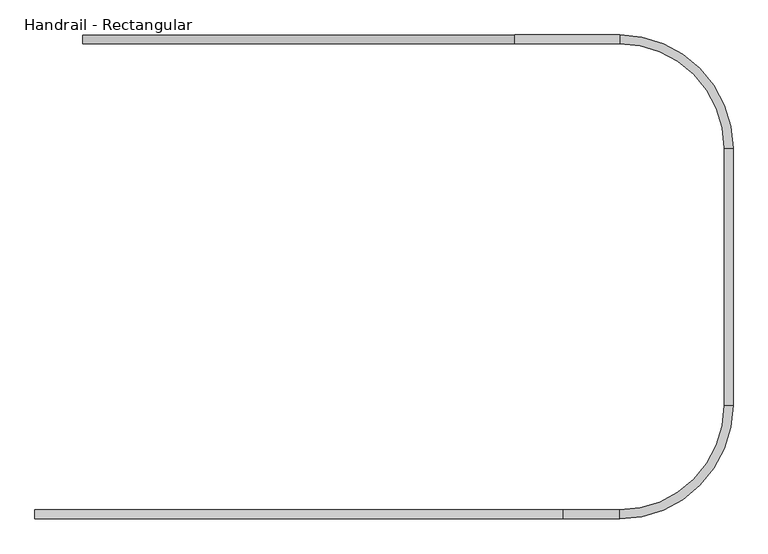
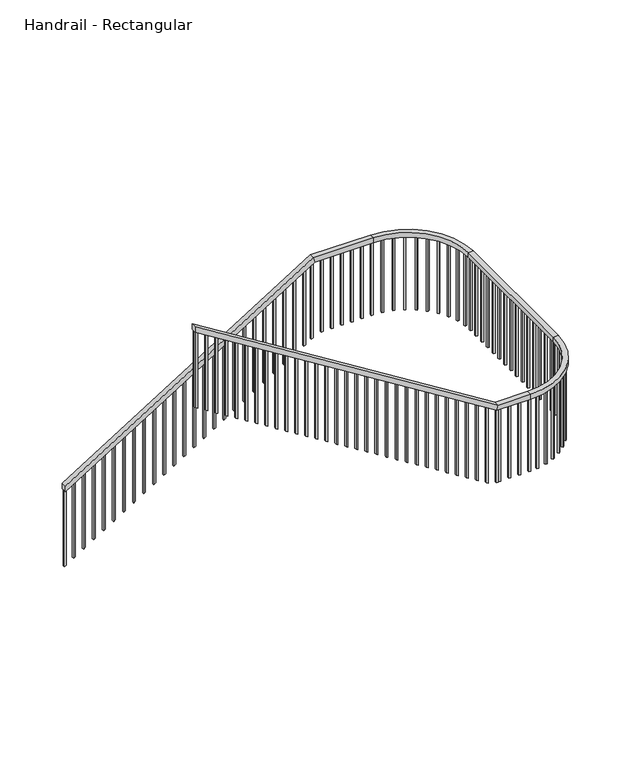
"""IFC4 building model written with IfcOpenShell, lengths in millimetres: railing geometry, Handrail - Rectangular."""

from ifc_helpers import new_model, si_unit, frame, origin, place, context, project, spatial, polyline, circle_curve, outline, extrude, source, transform, mapped, element, save
from ifc_brep_helpers import plane_surface, cylinder_surface, revolved_surface, advanced_brep


def handrail_rectangular_d1cac5ad(model_context):
    return source(origin(), model_context, "Body", "SolidModel", [
        advanced_brep(
        [(-2052.5185199, -3081.6318576, 1088.5714286), (-2052.5185199, -3081.6318576, 1028.7093152), (-2052.5185199, -3132.4318576, 1028.7093152), (-2052.5185199, -3132.4318576, 1088.5714286), (462.0814801, -3081.6318576, 2656.1142857), (476.6186202, -3081.6318576, 2605.3142857), (476.6186202, -3132.4318576, 2605.3142857), (462.0814801, -3132.4318576, 2656.1142857), (1071.6814801, -3081.6318576, 2656.1142857), (1071.6814801, -3081.6318576, 2605.3142857), (1071.6814801, -3132.4318576, 2605.3142857), (1071.6814801, -3132.4318576, 2656.1142857), (1732.0814801, -3742.0318576, 2605.3142857), (1732.0814801, -3742.0318576, 2656.1142857), (1681.2814801, -3742.0318576, 2605.3142857), (1681.2814801, -3742.0318576, 2656.1142857), (1732.0814801, -5236.974518, 2656.1142857), (1732.0814801, -5236.974518, 2605.3142857), (1681.2814801, -5236.974518, 2605.3142857), (1681.2814801, -5236.974518, 2656.1142857), (1071.6814801, -5897.374518, 2605.3142857), (1071.6814801, -5897.374518, 2656.1142857), (1071.6814801, -5846.574518, 2605.3142857), (1071.6814801, -5846.574518, 2656.1142857), (741.4814801, -5897.374518, 2656.1142857), (726.9443399, -5897.374518, 2605.3142857), (726.9443399, -5846.574518, 2605.3142857), (741.4814801, -5846.574518, 2656.1142857), (-2331.9185199, -5897.374518, 4572.0), (-2331.9185199, -5846.574518, 4572.0), (-2331.9185199, -5846.574518, 4512.1378867), (-2331.9185199, -5897.374518, 4512.1378867)],
        [
            (0, 1),
            (1, 2),
            (2, 3),
            (3, 0),
            (0, 4),
            (4, 5),
            (5, 1),
            (5, 6),
            (6, 2),
            (6, 7),
            (7, 3),
            (7, 4),
            (4, 8),
            (8, 9),
            (9, 5),
            (9, 10),
            (10, 6),
            (10, 11),
            (11, 7),
            (11, 8),
            (12, 9, circle_curve(frame((1071.6814801, -3742.0318576, 2605.3142857), z_axis=(0.0, 0.0, 1.0), x_axis=(0.0, 1.0, 0.0)), 660.4)),
            (8, 13, circle_curve(frame((1071.6814801, -3742.0318576, 2656.1142857), z_axis=(0.0, 0.0, -1.0), x_axis=(0.0, 1.0, 0.0)), 660.4)),
            (13, 12),
            (14, 10, circle_curve(frame((1071.6814801, -3742.0318576, 2605.3142857), z_axis=(0.0, 0.0, 1.0), x_axis=(0.0, 1.0, 0.0)), 609.6)),
            (12, 14),
            (15, 11, circle_curve(frame((1071.6814801, -3742.0318576, 2656.1142857), z_axis=(0.0, 0.0, 1.0), x_axis=(0.0, 1.0, 0.0)), 609.6)),
            (14, 15),
            (15, 13),
            (13, 16),
            (16, 17),
            (17, 12),
            (17, 18),
            (18, 14),
            (18, 19),
            (19, 15),
            (19, 16),
            (20, 17, circle_curve(frame((1071.6814801, -5236.974518, 2605.3142857), z_axis=(0.0, 0.0, 1.0), x_axis=(1.0, 0.0, 0.0)), 660.4)),
            (16, 21, circle_curve(frame((1071.6814801, -5236.974518, 2656.1142857), z_axis=(0.0, 0.0, -1.0), x_axis=(1.0, 0.0, 0.0)), 660.4)),
            (21, 20),
            (22, 18, circle_curve(frame((1071.6814801, -5236.974518, 2605.3142857), z_axis=(0.0, 0.0, 1.0), x_axis=(1.0, 0.0, 0.0)), 609.6)),
            (20, 22),
            (23, 19, circle_curve(frame((1071.6814801, -5236.974518, 2656.1142857), z_axis=(0.0, 0.0, 1.0), x_axis=(1.0, 0.0, 0.0)), 609.6)),
            (22, 23),
            (23, 21),
            (21, 24),
            (24, 25),
            (25, 20),
            (25, 26),
            (26, 22),
            (26, 27),
            (27, 23),
            (27, 24),
            (28, 29),
            (29, 30),
            (30, 31),
            (31, 28),
            (24, 28),
            (31, 25),
            (30, 26),
            (29, 27),
        ],
        [
            plane_surface(frame((-2052.5185199, -3107.0318576, 1088.5714286), z_axis=(-1.0, 0.0, 0.0), x_axis=(0.0, 1.0, 0.0))),
            plane_surface(frame((-2052.5185199, -3081.6318576, 1088.5714286), z_axis=(0.0, 1.0000000000000002, 0.0), x_axis=(0.8486168825713687, 0.0, 0.5290079267977484))),
            plane_surface(frame((-2052.5185199, -3081.6318576, 1028.7093152), z_axis=(0.5290079267977484, 0.0, -0.8486168825713687), x_axis=(0.8486168825713687, 0.0, 0.5290079267977484))),
            plane_surface(frame((-2052.5185199, -3132.4318576, 1028.7093152), z_axis=(0.0, -1.0000000000000002, 0.0), x_axis=(0.8486168825713687, 0.0, 0.5290079267977484))),
            plane_surface(frame((-2052.5185199, -3132.4318576, 1088.5714286), z_axis=(-0.5290079267977484, 0.0, 0.8486168825713687), x_axis=(0.8486168825713687, 0.0, 0.5290079267977484))),
            plane_surface(frame((462.0814801, -3081.6318576, 2656.1142857), z_axis=(0.0, 1.0, 0.0), x_axis=(1.0, 0.0, 0.0))),
            plane_surface(frame((476.6186202, -3081.6318576, 2605.3142857), z_axis=(0.0, 0.0, -1.0), x_axis=(1.0, 0.0, 0.0))),
            plane_surface(frame((476.6186202, -3132.4318576, 2605.3142857), z_axis=(0.0, -1.0, 0.0), x_axis=(1.0, 0.0, 0.0))),
            plane_surface(frame((462.0814801, -3132.4318576, 2656.1142857), z_axis=(0.0, 0.0, 1.0), x_axis=(1.0, 0.0, 0.0))),
            cylinder_surface(frame((1071.6814801, -3742.0318576, 2656.1142857), z_axis=(0.0, 0.0, -1.0), x_axis=(0.0, 1.0, 0.0)), 660.4),
            plane_surface(frame((1071.6814801, -3742.0318576, 2605.3142857), z_axis=(0.0, 0.0, -1.0), x_axis=(0.0, 1.0, 0.0))),
            revolved_surface(polyline([(1071.6814801, -3132.4318576, 2605.3142857), (1071.6814801, -3132.4318576, 2656.1142857)]), (1071.6814801, -3742.0318576, 2656.1142857), (0.0, 0.0, -1.0)),
            plane_surface(frame((1071.6814801, -3742.0318576, 2656.1142857), z_axis=(0.0, 0.0, 1.0), x_axis=(0.0, 1.0, 0.0))),
            plane_surface(frame((1732.0814801, -3742.0318576, 2656.1142857), z_axis=(1.0, 0.0, 0.0), x_axis=(0.0, -1.0, 0.0))),
            plane_surface(frame((1732.0814801, -3742.0318576, 2605.3142857), z_axis=(0.0, 0.0, -1.0), x_axis=(0.0, -1.0, 0.0))),
            plane_surface(frame((1681.2814801, -3742.0318576, 2605.3142857), z_axis=(-1.0, 0.0, 0.0), x_axis=(0.0, -1.0, 0.0))),
            plane_surface(frame((1681.2814801, -3742.0318576, 2656.1142857), z_axis=(0.0, 0.0, 1.0), x_axis=(0.0, -1.0, 0.0))),
            cylinder_surface(frame((1071.6814801, -5236.974518, 2656.1142857), z_axis=(0.0, 0.0, -1.0), x_axis=(1.0, 0.0, 0.0)), 660.4),
            plane_surface(frame((1071.6814801, -5236.974518, 2605.3142857), z_axis=(0.0, 0.0, -1.0), x_axis=(1.0, 0.0, 0.0))),
            revolved_surface(polyline([(1681.2814801, -5236.974518, 2605.3142857), (1681.2814801, -5236.974518, 2656.1142857)]), (1071.6814801, -5236.974518, 2656.1142857), (0.0, 0.0, -1.0)),
            plane_surface(frame((1071.6814801, -5236.974518, 2656.1142857), z_axis=(0.0, 0.0, 1.0), x_axis=(1.0, 0.0, 0.0))),
            plane_surface(frame((1071.6814801, -5897.374518, 2656.1142857), z_axis=(0.0, -1.0, 0.0), x_axis=(-1.0, 0.0, 0.0))),
            plane_surface(frame((1071.6814801, -5897.374518, 2605.3142857), z_axis=(0.0, 0.0, -1.0), x_axis=(-1.0, 0.0, 0.0))),
            plane_surface(frame((1071.6814801, -5846.574518, 2605.3142857), z_axis=(0.0, 1.0, 0.0), x_axis=(-1.0, 0.0, 0.0))),
            plane_surface(frame((1071.6814801, -5846.574518, 2656.1142857), z_axis=(0.0, 0.0, 1.0), x_axis=(-1.0, 0.0, 0.0))),
            plane_surface(frame((-2331.9185199, -5871.974518, 4572.0), z_axis=(-1.0, 0.0, 0.0), x_axis=(0.0, -1.0, 0.0))),
            plane_surface(frame((741.4814801, -5897.374518, 2656.1142857), z_axis=(0.0, -1.0000000000000002, 0.0), x_axis=(-0.8486168825713687, 0.0, 0.5290079267977484))),
            plane_surface(frame((726.9443399, -5897.374518, 2605.3142857), z_axis=(-0.5290079267977484, 0.0, -0.8486168825713687), x_axis=(-0.8486168825713687, 0.0, 0.5290079267977484))),
            plane_surface(frame((726.9443399, -5846.574518, 2605.3142857), z_axis=(0.0, 1.0, 0.0), x_axis=(-0.8486168825713687, 0.0, 0.5290079267977484))),
            plane_surface(frame((741.4814801, -5846.574518, 2656.1142857), z_axis=(0.5290079267977484, 0.0, 0.8486168825713687), x_axis=(-0.8486168825713687, 0.0, 0.5290079267977484))),
        ],
        [
            (0, [[1, 2, 3, 4]]),
            (1, [[-1, 5, 6, 7]]),
            (2, [[-2, -7, 8, 9]]),
            (3, [[-3, -9, 10, 11]]),
            (4, [[-4, -11, 12, -5]]),
            (5, [[-6, 13, 14, 15]]),
            (6, [[-8, -15, 16, 17]]),
            (7, [[-10, -17, 18, 19]]),
            (8, [[-12, -19, 20, -13]]),
            (9, [[21, -14, 22, 23]]),
            (10, [[24, -16, -21, 25]]),
            (11, [[26, -18, -24, 27]]),
            (12, [[-22, -20, -26, 28]]),
            (13, [[-23, 29, 30, 31]]),
            (14, [[-25, -31, 32, 33]]),
            (15, [[-27, -33, 34, 35]]),
            (16, [[-28, -35, 36, -29]]),
            (17, [[37, -30, 38, 39]]),
            (18, [[40, -32, -37, 41]]),
            (19, [[42, -34, -40, 43]]),
            (20, [[-38, -36, -42, 44]]),
            (21, [[-39, 45, 46, 47]]),
            (22, [[-41, -47, 48, 49]]),
            (23, [[-43, -49, 50, 51]]),
            (24, [[-44, -51, 52, -45]]),
            (25, [[53, 54, 55, 56]]),
            (26, [[-46, 57, -56, 58]]),
            (27, [[-48, -58, -55, 59]]),
            (28, [[-50, -59, -54, 60]]),
            (29, [[-52, -60, -53, -57]]),
        ],
    ),
        extrude(outline(polyline([(4502.2417828, -2316.0435199), (3687.2852981, -2316.0435199), (3675.4099734, -2296.9935199), (4490.3664581, -2296.9935199), (4502.2417828, -2316.0435199)])), frame((0.0, -5881.499518, 0.0), z_axis=(0.0, 1.0, 0.0), x_axis=(0.0, 0.0, 1.0)), (0.0, 0.0, 1.0), 19.05),
        extrude(outline(polyline([(4438.9067178, -2214.4435199), (3623.9502331, -2214.4435199), (3612.0749085, -2195.3935199), (4427.0313932, -2195.3935199), (4438.9067178, -2214.4435199)])), frame((0.0, -5881.499518, 0.0), z_axis=(0.0, 1.0, 0.0), x_axis=(0.0, 0.0, 1.0)), (0.0, 0.0, 1.0), 19.05),
        extrude(outline(polyline([(4375.5716529, -2112.8435199), (3560.6151682, -2112.8435199), (3548.7398435, -2093.7935199), (4363.6963282, -2093.7935199), (4375.5716529, -2112.8435199)])), frame((0.0, -5881.499518, 0.0), z_axis=(0.0, 1.0, 0.0), x_axis=(0.0, 0.0, 1.0)), (0.0, 0.0, 1.0), 19.05),
        extrude(outline(polyline([(4312.236588, -2011.2435199), (3497.2801033, -2011.2435199), (3485.4047786, -1992.1935199), (4300.3612633, -1992.1935199), (4312.236588, -2011.2435199)])), frame((0.0, -5881.499518, 0.0), z_axis=(0.0, 1.0, 0.0), x_axis=(0.0, 0.0, 1.0)), (0.0, 0.0, 1.0), 19.05),
        extrude(outline(polyline([(4248.901523, -1909.6435199), (3433.9450383, -1909.6435199), (3422.0697137, -1890.5935199), (4237.0261984, -1890.5935199), (4248.901523, -1909.6435199)])), frame((0.0, -5881.499518, 0.0), z_axis=(0.0, 1.0, 0.0), x_axis=(0.0, 0.0, 1.0)), (0.0, 0.0, 1.0), 19.05),
        extrude(outline(polyline([(4185.5664581, -1808.0435199), (3370.6099734, -1808.0435199), (3358.7346487, -1788.9935199), (4173.6911334, -1788.9935199), (4185.5664581, -1808.0435199)])), frame((0.0, -5881.499518, 0.0), z_axis=(0.0, 1.0, 0.0), x_axis=(0.0, 0.0, 1.0)), (0.0, 0.0, 1.0), 19.05),
        extrude(outline(polyline([(4122.2313932, -1706.4435199), (3307.2749085, -1706.4435199), (3295.3995838, -1687.3935199), (4110.3560685, -1687.3935199), (4122.2313932, -1706.4435199)])), frame((0.0, -5881.499518, 0.0), z_axis=(0.0, 1.0, 0.0), x_axis=(0.0, 0.0, 1.0)), (0.0, 0.0, 1.0), 19.05),
        extrude(outline(polyline([(4058.8963282, -1604.8435199), (3243.9398435, -1604.8435199), (3232.0645188, -1585.7935199), (4047.0210036, -1585.7935199), (4058.8963282, -1604.8435199)])), frame((0.0, -5881.499518, 0.0), z_axis=(0.0, 1.0, 0.0), x_axis=(0.0, 0.0, 1.0)), (0.0, 0.0, 1.0), 19.05),
        extrude(outline(polyline([(3995.5612633, -1503.2435199), (3180.6047786, -1503.2435199), (3168.7294539, -1484.1935199), (3983.6859386, -1484.1935199), (3995.5612633, -1503.2435199)])), frame((0.0, -5881.499518, 0.0), z_axis=(0.0, 1.0, 0.0), x_axis=(0.0, 0.0, 1.0)), (0.0, 0.0, 1.0), 19.05),
        extrude(outline(polyline([(3932.2261984, -1401.6435199), (3117.2697137, -1401.6435199), (3105.394389, -1382.5935199), (3920.3508737, -1382.5935199), (3932.2261984, -1401.6435199)])), frame((0.0, -5881.499518, 0.0), z_axis=(0.0, 1.0, 0.0), x_axis=(0.0, 0.0, 1.0)), (0.0, 0.0, 1.0), 19.05),
        extrude(outline(polyline([(3868.8911334, -1300.0435199), (3053.9346487, -1300.0435199), (3042.059324, -1280.9935199), (3857.0158087, -1280.9935199), (3868.8911334, -1300.0435199)])), frame((0.0, -5881.499518, 0.0), z_axis=(0.0, 1.0, 0.0), x_axis=(0.0, 0.0, 1.0)), (0.0, 0.0, 1.0), 19.05),
        extrude(outline(polyline([(3805.5560685, -1198.4435199), (2990.5995838, -1198.4435199), (2978.7242591, -1179.3935199), (3793.6807438, -1179.3935199), (3805.5560685, -1198.4435199)])), frame((0.0, -5881.499518, 0.0), z_axis=(0.0, 1.0, 0.0), x_axis=(0.0, 0.0, 1.0)), (0.0, 0.0, 1.0), 19.05),
        extrude(outline(polyline([(3742.2210036, -1096.8435199), (2927.2645188, -1096.8435199), (2915.3891942, -1077.7935199), (3730.3456789, -1077.7935199), (3742.2210036, -1096.8435199)])), frame((0.0, -5881.499518, 0.0), z_axis=(0.0, 1.0, 0.0), x_axis=(0.0, 0.0, 1.0)), (0.0, 0.0, 1.0), 19.05),
        extrude(outline(polyline([(3678.8859386, -995.2435199), (2863.9294539, -995.2435199), (2852.0541292, -976.1935199), (3667.0106139, -976.1935199), (3678.8859386, -995.2435199)])), frame((0.0, -5881.499518, 0.0), z_axis=(0.0, 1.0, 0.0), x_axis=(0.0, 0.0, 1.0)), (0.0, 0.0, 1.0), 19.05),
        extrude(outline(polyline([(3615.5508737, -893.6435199), (2800.594389, -893.6435199), (2788.7190643, -874.5935199), (3603.675549, -874.5935199), (3615.5508737, -893.6435199)])), frame((0.0, -5881.499518, 0.0), z_axis=(0.0, 1.0, 0.0), x_axis=(0.0, 0.0, 1.0)), (0.0, 0.0, 1.0), 19.05),
        extrude(outline(polyline([(3552.2158087, -792.0435199), (2737.259324, -792.0435199), (2725.3839994, -772.9935199), (3540.3404841, -772.9935199), (3552.2158087, -792.0435199)])), frame((0.0, -5881.499518, 0.0), z_axis=(0.0, 1.0, 0.0), x_axis=(0.0, 0.0, 1.0)), (0.0, 0.0, 1.0), 19.05),
        extrude(outline(polyline([(3488.8807438, -690.4435199), (2673.9242591, -690.4435199), (2662.0489344, -671.3935199), (3477.0054191, -671.3935199), (3488.8807438, -690.4435199)])), frame((0.0, -5881.499518, 0.0), z_axis=(0.0, 1.0, 0.0), x_axis=(0.0, 0.0, 1.0)), (0.0, 0.0, 1.0), 19.05),
        extrude(outline(polyline([(3425.5456789, -588.8435199), (2610.5891942, -588.8435199), (2598.7138695, -569.7935199), (3413.6703542, -569.7935199), (3425.5456789, -588.8435199)])), frame((0.0, -5881.499518, 0.0), z_axis=(0.0, 1.0, 0.0), x_axis=(0.0, 0.0, 1.0)), (0.0, 0.0, 1.0), 19.05),
        extrude(outline(polyline([(3362.2106139, -487.2435199), (2547.2541292, -487.2435199), (2535.3788046, -468.1935199), (3350.3352893, -468.1935199), (3362.2106139, -487.2435199)])), frame((0.0, -5881.499518, 0.0), z_axis=(0.0, 1.0, 0.0), x_axis=(0.0, 0.0, 1.0)), (0.0, 0.0, 1.0), 19.05),
        extrude(outline(polyline([(3298.875549, -385.6435199), (2483.9190643, -385.6435199), (2472.0437396, -366.5935199), (3287.0002243, -366.5935199), (3298.875549, -385.6435199)])), frame((0.0, -5881.499518, 0.0), z_axis=(0.0, 1.0, 0.0), x_axis=(0.0, 0.0, 1.0)), (0.0, 0.0, 1.0), 19.05),
        extrude(outline(polyline([(3235.5404841, -284.0435199), (2420.5839994, -284.0435199), (2408.7086747, -264.9935199), (3223.6651594, -264.9935199), (3235.5404841, -284.0435199)])), frame((0.0, -5881.499518, 0.0), z_axis=(0.0, 1.0, 0.0), x_axis=(0.0, 0.0, 1.0)), (0.0, 0.0, 1.0), 19.05),
        extrude(outline(polyline([(3172.2054191, -182.4435199), (2357.2489344, -182.4435199), (2345.3736098, -163.3935199), (3160.3300945, -163.3935199), (3172.2054191, -182.4435199)])), frame((0.0, -5881.499518, 0.0), z_axis=(0.0, 1.0, 0.0), x_axis=(0.0, 0.0, 1.0)), (0.0, 0.0, 1.0), 19.05),
        extrude(outline(polyline([(3108.8703542, -80.8435199), (2293.9138695, -80.8435199), (2282.0385448, -61.7935199), (3096.9950295, -61.7935199), (3108.8703542, -80.8435199)])), frame((0.0, -5881.499518, 0.0), z_axis=(0.0, 1.0, 0.0), x_axis=(0.0, 0.0, 1.0)), (0.0, 0.0, 1.0), 19.05),
        extrude(outline(polyline([(3045.5352893, 20.7564801), (2230.5788046, 20.7564801), (2218.7034799, 39.8064801), (3033.6599646, 39.8064801), (3045.5352893, 20.7564801)])), frame((0.0, -5881.499518, 0.0), z_axis=(0.0, 1.0, 0.0), x_axis=(0.0, 0.0, 1.0)), (0.0, 0.0, 1.0), 19.05),
        extrude(outline(polyline([(2982.2002243, 122.3564801), (2167.2437396, 122.3564801), (2155.368415, 141.4064801), (2970.3248997, 141.4064801), (2982.2002243, 122.3564801)])), frame((0.0, -5881.499518, 0.0), z_axis=(0.0, 1.0, 0.0), x_axis=(0.0, 0.0, 1.0)), (0.0, 0.0, 1.0), 19.05),
        extrude(outline(polyline([(2918.8651594, 223.9564801), (2103.9086747, 223.9564801), (2092.03335, 243.0064801), (2906.9898347, 243.0064801), (2918.8651594, 223.9564801)])), frame((0.0, -5881.499518, 0.0), z_axis=(0.0, 1.0, 0.0), x_axis=(0.0, 0.0, 1.0)), (0.0, 0.0, 1.0), 19.05),
        extrude(outline(polyline([(2855.5300945, 325.5564801), (2040.5736098, 325.5564801), (2028.6982851, 344.6064801), (2843.6547698, 344.6064801), (2855.5300945, 325.5564801)])), frame((0.0, -5881.499518, 0.0), z_axis=(0.0, 1.0, 0.0), x_axis=(0.0, 0.0, 1.0)), (0.0, 0.0, 1.0), 19.05),
        extrude(outline(polyline([(2792.1950295, 427.1564801), (1977.2385448, 427.1564801), (1965.3632201, 446.2064801), (2780.3197048, 446.2064801), (2792.1950295, 427.1564801)])), frame((0.0, -5881.499518, 0.0), z_axis=(0.0, 1.0, 0.0), x_axis=(0.0, 0.0, 1.0)), (0.0, 0.0, 1.0), 19.05),
        extrude(outline(polyline([(2728.8599646, 528.7564801), (1913.9034799, 528.7564801), (1902.0281552, 547.8064801), (2716.9846399, 547.8064801), (2728.8599646, 528.7564801)])), frame((0.0, -5881.499518, 0.0), z_axis=(0.0, 1.0, 0.0), x_axis=(0.0, 0.0, 1.0)), (0.0, 0.0, 1.0), 19.05),
        extrude(outline(polyline([(2665.5248997, 630.3564801), (1850.568415, 630.3564801), (1838.6930903, 649.4064801), (2653.649575, 649.4064801), (2665.5248997, 630.3564801)])), frame((0.0, -5881.499518, 0.0), z_axis=(0.0, 1.0, 0.0), x_axis=(0.0, 0.0, 1.0)), (0.0, 0.0, 1.0), 19.05),
        extrude(outline(polyline([(776.4064801, -5881.499518), (757.3564801, -5881.499518), (757.3564801, -5862.449518), (776.4064801, -5862.449518), (776.4064801, -5881.499518)])), frame((0.0, 0.0, 1817.9142857), z_axis=(0.0, 0.0, 1.0), x_axis=(1.0, 0.0, 0.0)), (0.0, 0.0, 1.0), 787.4),
        extrude(outline(polyline([(878.0064801, -5881.499518), (858.9564801, -5881.499518), (858.9564801, -5862.449518), (878.0064801, -5862.449518), (878.0064801, -5881.499518)])), frame((0.0, 0.0, 1817.9142857), z_axis=(0.0, 0.0, 1.0), x_axis=(1.0, 0.0, 0.0)), (0.0, 0.0, 1.0), 787.4),
        extrude(outline(polyline([(979.6064801, -5881.499518), (960.5564801, -5881.499518), (960.5564801, -5862.449518), (979.6064801, -5862.449518), (979.6064801, -5881.499518)])), frame((0.0, 0.0, 1817.9142857), z_axis=(0.0, 0.0, 1.0), x_axis=(1.0, 0.0, 0.0)), (0.0, 0.0, 1.0), 787.4),
        extrude(outline(polyline([(1165.1864617, -5874.7519241), (1146.2991802, -5877.2364957), (1143.8146085, -5858.3492142), (1162.7018901, -5855.8646425), (1165.1864617, -5874.7519241)])), frame((0.0, 0.0, 1817.9142857), z_axis=(0.0, 0.0, 1.0), x_axis=(1.0, 0.0, 0.0)), (0.0, 0.0, 1.0), 787.4),
        extrude(outline(polyline([(1265.6017016, -5851.708728), (1247.3514995, -5857.1706527), (1241.8895748, -5838.9204506), (1260.1397769, -5833.4585259), (1265.6017016, -5851.708728)])), frame((0.0, 0.0, 1817.9142857), z_axis=(0.0, 0.0, 1.0), x_axis=(1.0, 0.0, 0.0)), (0.0, 0.0, 1.0), 787.4),
        extrude(outline(polyline([(1361.0631655, -5812.9618802), (1343.9162521, -5821.2616308), (1335.6165015, -5804.1147174), (1352.7634149, -5795.8149668), (1361.0631655, -5812.9618802)])), frame((0.0, 0.0, 1817.9142857), z_axis=(0.0, 0.0, 1.0), x_axis=(1.0, 0.0, 0.0)), (0.0, 0.0, 1.0), 787.4),
        extrude(outline(polyline([(1449.1322488, -5759.5011857), (1433.5266494, -5770.4267414), (1422.6010937, -5754.8211421), (1438.2066931, -5743.8955863), (1449.1322488, -5759.5011857)])), frame((0.0, 0.0, 1817.9142857), z_axis=(0.0, 0.0, 1.0), x_axis=(1.0, 0.0, 0.0)), (0.0, 0.0, 1.0), 787.4),
        extrude(outline(polyline([(1527.5591887, -5692.6923211), (1513.8935552, -5705.9645839), (1500.6212923, -5692.2989504), (1514.2869259, -5679.0266876), (1527.5591887, -5692.6923211)])), frame((0.0, 0.0, 1817.9142857), z_axis=(0.0, 0.0, 1.0), x_axis=(1.0, 0.0, 0.0)), (0.0, 0.0, 1.0), 787.4),
        extrude(outline(polyline([(1594.340535, -5614.2419478), (1582.9639619, -5629.521872), (1567.6840377, -5618.1452988), (1579.0606108, -5602.8653746), (1594.340535, -5614.2419478)])), frame((0.0, 0.0, 1817.9142857), z_axis=(0.0, 0.0, 1.0), x_axis=(1.0, 0.0, 0.0)), (0.0, 0.0, 1.0), 787.4),
        extrude(outline(polyline([(1647.7703293, -5526.1541145), (1638.973436, -5543.0513678), (1622.0761828, -5534.2544745), (1630.8730761, -5517.3572212), (1647.7703293, -5526.1541145)])), frame((0.0, 0.0, 1817.9142857), z_axis=(0.0, 0.0, 1.0), x_axis=(1.0, 0.0, 0.0)), (0.0, 0.0, 1.0), 787.4),
        extrude(outline(polyline([(1686.4836844, -5430.6790631), (1680.4911914, -5448.7619979), (1662.4082567, -5442.7695049), (1668.4007497, -5424.6865702), (1686.4836844, -5430.6790631)])), frame((0.0, 0.0, 1817.9142857), z_axis=(0.0, 0.0, 1.0), x_axis=(1.0, 0.0, 0.0)), (0.0, 0.0, 1.0), 787.4),
        extrude(outline(polyline([(1709.4916508, -5330.2557453), (1706.456639, -5349.062425), (1687.6499592, -5346.0274132), (1690.6849711, -5327.2207334), (1709.4916508, -5330.2557453)])), frame((0.0, 0.0, 1817.9142857), z_axis=(0.0, 0.0, 1.0), x_axis=(1.0, 0.0, 0.0)), (0.0, 0.0, 1.0), 787.4),
        extrude(outline(polyline([(1716.2064801, -5154.9068576), (1716.2064801, -5173.9568576), (1697.1564801, -5173.9568576), (1697.1564801, -5154.9068576), (1716.2064801, -5154.9068576)])), frame((0.0, 0.0, 1817.9142857), z_axis=(0.0, 0.0, 1.0), x_axis=(1.0, 0.0, 0.0)), (0.0, 0.0, 1.0), 787.4),
        extrude(outline(polyline([(1716.2064801, -5053.3068576), (1716.2064801, -5072.3568576), (1697.1564801, -5072.3568576), (1697.1564801, -5053.3068576), (1716.2064801, -5053.3068576)])), frame((0.0, 0.0, 1817.9142857), z_axis=(0.0, 0.0, 1.0), x_axis=(1.0, 0.0, 0.0)), (0.0, 0.0, 1.0), 787.4),
        extrude(outline(polyline([(1716.2064801, -4951.7068576), (1716.2064801, -4970.7568576), (1697.1564801, -4970.7568576), (1697.1564801, -4951.7068576), (1716.2064801, -4951.7068576)])), frame((0.0, 0.0, 1817.9142857), z_axis=(0.0, 0.0, 1.0), x_axis=(1.0, 0.0, 0.0)), (0.0, 0.0, 1.0), 787.4),
        extrude(outline(polyline([(1716.2064801, -4850.1068576), (1716.2064801, -4869.1568576), (1697.1564801, -4869.1568576), (1697.1564801, -4850.1068576), (1716.2064801, -4850.1068576)])), frame((0.0, 0.0, 1817.9142857), z_axis=(0.0, 0.0, 1.0), x_axis=(1.0, 0.0, 0.0)), (0.0, 0.0, 1.0), 787.4),
        extrude(outline(polyline([(1716.2064801, -4748.5068576), (1716.2064801, -4767.5568576), (1697.1564801, -4767.5568576), (1697.1564801, -4748.5068576), (1716.2064801, -4748.5068576)])), frame((0.0, 0.0, 1817.9142857), z_axis=(0.0, 0.0, 1.0), x_axis=(1.0, 0.0, 0.0)), (0.0, 0.0, 1.0), 787.4),
        extrude(outline(polyline([(1716.2064801, -4646.9068576), (1716.2064801, -4665.9568576), (1697.1564801, -4665.9568576), (1697.1564801, -4646.9068576), (1716.2064801, -4646.9068576)])), frame((0.0, 0.0, 1817.9142857), z_axis=(0.0, 0.0, 1.0), x_axis=(1.0, 0.0, 0.0)), (0.0, 0.0, 1.0), 787.4),
        extrude(outline(polyline([(1716.2064801, -4545.3068576), (1716.2064801, -4564.3568576), (1697.1564801, -4564.3568576), (1697.1564801, -4545.3068576), (1716.2064801, -4545.3068576)])), frame((0.0, 0.0, 1817.9142857), z_axis=(0.0, 0.0, 1.0), x_axis=(1.0, 0.0, 0.0)), (0.0, 0.0, 1.0), 787.4),
        extrude(outline(polyline([(1716.2064801, -4443.7068576), (1716.2064801, -4462.7568576), (1697.1564801, -4462.7568576), (1697.1564801, -4443.7068576), (1716.2064801, -4443.7068576)])), frame((0.0, 0.0, 1817.9142857), z_axis=(0.0, 0.0, 1.0), x_axis=(1.0, 0.0, 0.0)), (0.0, 0.0, 1.0), 787.4),
        extrude(outline(polyline([(1716.2064801, -4342.1068576), (1716.2064801, -4361.1568576), (1697.1564801, -4361.1568576), (1697.1564801, -4342.1068576), (1716.2064801, -4342.1068576)])), frame((0.0, 0.0, 1817.9142857), z_axis=(0.0, 0.0, 1.0), x_axis=(1.0, 0.0, 0.0)), (0.0, 0.0, 1.0), 787.4),
        extrude(outline(polyline([(1716.2064801, -4240.5068576), (1716.2064801, -4259.5568576), (1697.1564801, -4259.5568576), (1697.1564801, -4240.5068576), (1716.2064801, -4240.5068576)])), frame((0.0, 0.0, 1817.9142857), z_axis=(0.0, 0.0, 1.0), x_axis=(1.0, 0.0, 0.0)), (0.0, 0.0, 1.0), 787.4),
        extrude(outline(polyline([(1716.2064801, -4138.9068576), (1716.2064801, -4157.9568576), (1697.1564801, -4157.9568576), (1697.1564801, -4138.9068576), (1716.2064801, -4138.9068576)])), frame((0.0, 0.0, 1817.9142857), z_axis=(0.0, 0.0, 1.0), x_axis=(1.0, 0.0, 0.0)), (0.0, 0.0, 1.0), 787.4),
        extrude(outline(polyline([(1716.2064801, -4037.3068576), (1716.2064801, -4056.3568576), (1697.1564801, -4056.3568576), (1697.1564801, -4037.3068576), (1716.2064801, -4037.3068576)])), frame((0.0, 0.0, 1817.9142857), z_axis=(0.0, 0.0, 1.0), x_axis=(1.0, 0.0, 0.0)), (0.0, 0.0, 1.0), 787.4),
        extrude(outline(polyline([(1716.2064801, -3935.7068576), (1716.2064801, -3954.7568576), (1697.1564801, -3954.7568576), (1697.1564801, -3935.7068576), (1716.2064801, -3935.7068576)])), frame((0.0, 0.0, 1817.9142857), z_axis=(0.0, 0.0, 1.0), x_axis=(1.0, 0.0, 0.0)), (0.0, 0.0, 1.0), 787.4),
        extrude(outline(polyline([(1716.2064801, -3834.1068576), (1716.2064801, -3853.1568576), (1697.1564801, -3853.1568576), (1697.1564801, -3834.1068576), (1716.2064801, -3834.1068576)])), frame((0.0, 0.0, 1817.9142857), z_axis=(0.0, 0.0, 1.0), x_axis=(1.0, 0.0, 0.0)), (0.0, 0.0, 1.0), 787.4),
        extrude(outline(polyline([(1709.4588861, -3648.526876), (1711.9434578, -3667.4141575), (1693.0561762, -3669.8987292), (1690.5716046, -3651.0114477), (1709.4588861, -3648.526876)])), frame((0.0, 0.0, 1817.9142857), z_axis=(0.0, 0.0, 1.0), x_axis=(1.0, 0.0, 0.0)), (0.0, 0.0, 1.0), 787.4),
        extrude(outline(polyline([(1686.4156901, -3548.1116361), (1691.8776148, -3566.3618382), (1673.6274127, -3571.823763), (1668.1654879, -3553.5735608), (1686.4156901, -3548.1116361)])), frame((0.0, 0.0, 1817.9142857), z_axis=(0.0, 0.0, 1.0), x_axis=(1.0, 0.0, 0.0)), (0.0, 0.0, 1.0), 787.4),
        extrude(outline(polyline([(1647.6688423, -3452.6501722), (1655.9685929, -3469.7970857), (1638.8216795, -3478.0968363), (1630.5219289, -3460.9499228), (1647.6688423, -3452.6501722)])), frame((0.0, 0.0, 1817.9142857), z_axis=(0.0, 0.0, 1.0), x_axis=(1.0, 0.0, 0.0)), (0.0, 0.0, 1.0), 787.4),
        extrude(outline(polyline([(1594.2081478, -3364.5810889), (1605.1337035, -3380.1866883), (1589.5281041, -3391.112244), (1578.6025484, -3375.5066447), (1594.2081478, -3364.5810889)])), frame((0.0, 0.0, 1817.9142857), z_axis=(0.0, 0.0, 1.0), x_axis=(1.0, 0.0, 0.0)), (0.0, 0.0, 1.0), 787.4),
        extrude(outline(polyline([(1527.3992832, -3286.154149), (1540.671546, -3299.8197826), (1527.0059124, -3313.0920454), (1513.7336496, -3299.4264118), (1527.3992832, -3286.154149)])), frame((0.0, 0.0, 1817.9142857), z_axis=(0.0, 0.0, 1.0), x_axis=(1.0, 0.0, 0.0)), (0.0, 0.0, 1.0), 787.4),
        extrude(outline(polyline([(1448.9489098, -3219.3728027), (1464.228834, -3230.7493759), (1452.8522609, -3246.0293001), (1437.5723367, -3234.6527269), (1448.9489098, -3219.3728027)])), frame((0.0, 0.0, 1817.9142857), z_axis=(0.0, 0.0, 1.0), x_axis=(1.0, 0.0, 0.0)), (0.0, 0.0, 1.0), 787.4),
        extrude(outline(polyline([(1360.8610766, -3165.9430084), (1377.7583298, -3174.7399017), (1368.9614365, -3191.637155), (1352.0641833, -3182.8402617), (1360.8610766, -3165.9430084)])), frame((0.0, 0.0, 1817.9142857), z_axis=(0.0, 0.0, 1.0), x_axis=(1.0, 0.0, 0.0)), (0.0, 0.0, 1.0), 787.4),
        extrude(outline(polyline([(1265.3860252, -3127.2296533), (1283.4689599, -3133.2221463), (1277.4764669, -3151.305081), (1259.3935322, -3145.312588), (1265.3860252, -3127.2296533)])), frame((0.0, 0.0, 1817.9142857), z_axis=(0.0, 0.0, 1.0), x_axis=(1.0, 0.0, 0.0)), (0.0, 0.0, 1.0), 787.4),
        extrude(outline(polyline([(1164.9627073, -3104.2216869), (1183.7693871, -3107.2566987), (1180.7343752, -3126.0633785), (1161.9276955, -3123.0283667), (1164.9627073, -3104.2216869)])), frame((0.0, 0.0, 1817.9142857), z_axis=(0.0, 0.0, 1.0), x_axis=(1.0, 0.0, 0.0)), (0.0, 0.0, 1.0), 787.4),
        extrude(outline(polyline([(960.5564801, -3097.5068576), (979.6064801, -3097.5068576), (979.6064801, -3116.5568576), (960.5564801, -3116.5568576), (960.5564801, -3097.5068576)])), frame((0.0, 0.0, 1817.9142857), z_axis=(0.0, 0.0, 1.0), x_axis=(1.0, 0.0, 0.0)), (0.0, 0.0, 1.0), 787.4),
        extrude(outline(polyline([(858.9564801, -3097.5068576), (878.0064801, -3097.5068576), (878.0064801, -3116.5568576), (858.9564801, -3116.5568576), (858.9564801, -3097.5068576)])), frame((0.0, 0.0, 1817.9142857), z_axis=(0.0, 0.0, 1.0), x_axis=(1.0, 0.0, 0.0)), (0.0, 0.0, 1.0), 787.4),
        extrude(outline(polyline([(757.3564801, -3097.5068576), (776.4064801, -3097.5068576), (776.4064801, -3116.5568576), (757.3564801, -3116.5568576), (757.3564801, -3097.5068576)])), frame((0.0, 0.0, 1817.9142857), z_axis=(0.0, 0.0, 1.0), x_axis=(1.0, 0.0, 0.0)), (0.0, 0.0, 1.0), 787.4),
        extrude(outline(polyline([(655.7564801, -3097.5068576), (674.8064801, -3097.5068576), (674.8064801, -3116.5568576), (655.7564801, -3116.5568576), (655.7564801, -3097.5068576)])), frame((0.0, 0.0, 1817.9142857), z_axis=(0.0, 0.0, 1.0), x_axis=(1.0, 0.0, 0.0)), (0.0, 0.0, 1.0), 787.4),
        extrude(outline(polyline([(554.1564801, -3097.5068576), (573.2064801, -3097.5068576), (573.2064801, -3116.5568576), (554.1564801, -3116.5568576), (554.1564801, -3097.5068576)])), frame((0.0, 0.0, 1817.9142857), z_axis=(0.0, 0.0, 1.0), x_axis=(1.0, 0.0, 0.0)), (0.0, 0.0, 1.0), 787.4),
        extrude(outline(polyline([(2542.8132113, 376.3564801), (1727.8567266, 376.3564801), (1739.7320513, 395.4064801), (2554.688536, 395.4064801), (2542.8132113, 376.3564801)])), frame((0.0, -3116.5568576, 0.0), z_axis=(0.0, 1.0, 0.0), x_axis=(0.0, 0.0, 1.0)), (0.0, 0.0, 1.0), 19.05),
        extrude(outline(polyline([(2479.4781464, 274.7564801), (1664.5216617, 274.7564801), (1676.3969864, 293.8064801), (2491.3534711, 293.8064801), (2479.4781464, 274.7564801)])), frame((0.0, -3116.5568576, 0.0), z_axis=(0.0, 1.0, 0.0), x_axis=(0.0, 0.0, 1.0)), (0.0, 0.0, 1.0), 19.05),
        extrude(outline(polyline([(2416.1430815, 173.1564801), (1601.1865968, 173.1564801), (1613.0619214, 192.2064801), (2428.0184061, 192.2064801), (2416.1430815, 173.1564801)])), frame((0.0, -3116.5568576, 0.0), z_axis=(0.0, 1.0, 0.0), x_axis=(0.0, 0.0, 1.0)), (0.0, 0.0, 1.0), 19.05),
        extrude(outline(polyline([(2352.8080165, 71.5564801), (1537.8515318, 71.5564801), (1549.7268565, 90.6064801), (2364.6833412, 90.6064801), (2352.8080165, 71.5564801)])), frame((0.0, -3116.5568576, 0.0), z_axis=(0.0, 1.0, 0.0), x_axis=(0.0, 0.0, 1.0)), (0.0, 0.0, 1.0), 19.05),
        extrude(outline(polyline([(2289.4729516, -30.0435199), (1474.5164669, -30.0435199), (1486.3917916, -10.9935199), (2301.3482763, -10.9935199), (2289.4729516, -30.0435199)])), frame((0.0, -3116.5568576, 0.0), z_axis=(0.0, 1.0, 0.0), x_axis=(0.0, 0.0, 1.0)), (0.0, 0.0, 1.0), 19.05),
        extrude(outline(polyline([(2226.1378867, -131.6435199), (1411.181402, -131.6435199), (1423.0567266, -112.5935199), (2238.0132113, -112.5935199), (2226.1378867, -131.6435199)])), frame((0.0, -3116.5568576, 0.0), z_axis=(0.0, 1.0, 0.0), x_axis=(0.0, 0.0, 1.0)), (0.0, 0.0, 1.0), 19.05),
        extrude(outline(polyline([(2162.8028217, -233.2435199), (1347.846337, -233.2435199), (1359.7216617, -214.1935199), (2174.6781464, -214.1935199), (2162.8028217, -233.2435199)])), frame((0.0, -3116.5568576, 0.0), z_axis=(0.0, 1.0, 0.0), x_axis=(0.0, 0.0, 1.0)), (0.0, 0.0, 1.0), 19.05),
        extrude(outline(polyline([(2099.4677568, -334.8435199), (1284.5112721, -334.8435199), (1296.3865968, -315.7935199), (2111.3430815, -315.7935199), (2099.4677568, -334.8435199)])), frame((0.0, -3116.5568576, 0.0), z_axis=(0.0, 1.0, 0.0), x_axis=(0.0, 0.0, 1.0)), (0.0, 0.0, 1.0), 19.05),
        extrude(outline(polyline([(2036.1326919, -436.4435199), (1221.1762072, -436.4435199), (1233.0515318, -417.3935199), (2048.0080165, -417.3935199), (2036.1326919, -436.4435199)])), frame((0.0, -3116.5568576, 0.0), z_axis=(0.0, 1.0, 0.0), x_axis=(0.0, 0.0, 1.0)), (0.0, 0.0, 1.0), 19.05),
        extrude(outline(polyline([(1972.7976269, -538.0435199), (1157.8411422, -538.0435199), (1169.7164669, -518.9935199), (1984.6729516, -518.9935199), (1972.7976269, -538.0435199)])), frame((0.0, -3116.5568576, 0.0), z_axis=(0.0, 1.0, 0.0), x_axis=(0.0, 0.0, 1.0)), (0.0, 0.0, 1.0), 19.05),
        extrude(outline(polyline([(1909.462562, -639.6435199), (1094.5060773, -639.6435199), (1106.381402, -620.5935199), (1921.3378867, -620.5935199), (1909.462562, -639.6435199)])), frame((0.0, -3116.5568576, 0.0), z_axis=(0.0, 1.0, 0.0), x_axis=(0.0, 0.0, 1.0)), (0.0, 0.0, 1.0), 19.05),
        extrude(outline(polyline([(1846.1274971, -741.2435199), (1031.1710124, -741.2435199), (1043.046337, -722.1935199), (1858.0028217, -722.1935199), (1846.1274971, -741.2435199)])), frame((0.0, -3116.5568576, 0.0), z_axis=(0.0, 1.0, 0.0), x_axis=(0.0, 0.0, 1.0)), (0.0, 0.0, 1.0), 19.05),
        extrude(outline(polyline([(1782.7924321, -842.8435199), (967.8359474, -842.8435199), (979.7112721, -823.7935199), (1794.6677568, -823.7935199), (1782.7924321, -842.8435199)])), frame((0.0, -3116.5568576, 0.0), z_axis=(0.0, 1.0, 0.0), x_axis=(0.0, 0.0, 1.0)), (0.0, 0.0, 1.0), 19.05),
        extrude(outline(polyline([(1719.4573672, -944.4435199), (904.5008825, -944.4435199), (916.3762072, -925.3935199), (1731.3326919, -925.3935199), (1719.4573672, -944.4435199)])), frame((0.0, -3116.5568576, 0.0), z_axis=(0.0, 1.0, 0.0), x_axis=(0.0, 0.0, 1.0)), (0.0, 0.0, 1.0), 19.05),
        extrude(outline(polyline([(1656.1223023, -1046.0435199), (841.1658175, -1046.0435199), (853.0411422, -1026.9935199), (1667.9976269, -1026.9935199), (1656.1223023, -1046.0435199)])), frame((0.0, -3116.5568576, 0.0), z_axis=(0.0, 1.0, 0.0), x_axis=(0.0, 0.0, 1.0)), (0.0, 0.0, 1.0), 19.05),
        extrude(outline(polyline([(1592.7872373, -1147.6435199), (777.8307526, -1147.6435199), (789.7060773, -1128.5935199), (1604.662562, -1128.5935199), (1592.7872373, -1147.6435199)])), frame((0.0, -3116.5568576, 0.0), z_axis=(0.0, 1.0, 0.0), x_axis=(0.0, 0.0, 1.0)), (0.0, 0.0, 1.0), 19.05),
        extrude(outline(polyline([(1529.4521724, -1249.2435199), (714.4956877, -1249.2435199), (726.3710124, -1230.1935199), (1541.3274971, -1230.1935199), (1529.4521724, -1249.2435199)])), frame((0.0, -3116.5568576, 0.0), z_axis=(0.0, 1.0, 0.0), x_axis=(0.0, 0.0, 1.0)), (0.0, 0.0, 1.0), 19.05),
        extrude(outline(polyline([(1466.1171074, -1350.8435199), (651.1606227, -1350.8435199), (663.0359474, -1331.7935199), (1477.9924321, -1331.7935199), (1466.1171074, -1350.8435199)])), frame((0.0, -3116.5568576, 0.0), z_axis=(0.0, 1.0, 0.0), x_axis=(0.0, 0.0, 1.0)), (0.0, 0.0, 1.0), 19.05),
        extrude(outline(polyline([(1402.7820425, -1452.4435199), (587.8255578, -1452.4435199), (599.7008825, -1433.3935199), (1414.6573672, -1433.3935199), (1402.7820425, -1452.4435199)])), frame((0.0, -3116.5568576, 0.0), z_axis=(0.0, 1.0, 0.0), x_axis=(0.0, 0.0, 1.0)), (0.0, 0.0, 1.0), 19.05),
        extrude(outline(polyline([(1339.4469776, -1554.0435199), (524.4904929, -1554.0435199), (536.3658175, -1534.9935199), (1351.3223023, -1534.9935199), (1339.4469776, -1554.0435199)])), frame((0.0, -3116.5568576, 0.0), z_axis=(0.0, 1.0, 0.0), x_axis=(0.0, 0.0, 1.0)), (0.0, 0.0, 1.0), 19.05),
        extrude(outline(polyline([(1276.1119126, -1655.6435199), (461.1554279, -1655.6435199), (473.0307526, -1636.5935199), (1287.9872373, -1636.5935199), (1276.1119126, -1655.6435199)])), frame((0.0, -3116.5568576, 0.0), z_axis=(0.0, 1.0, 0.0), x_axis=(0.0, 0.0, 1.0)), (0.0, 0.0, 1.0), 19.05),
        extrude(outline(polyline([(1212.7768477, -1757.2435199), (397.820363, -1757.2435199), (409.6956877, -1738.1935199), (1224.6521724, -1738.1935199), (1212.7768477, -1757.2435199)])), frame((0.0, -3116.5568576, 0.0), z_axis=(0.0, 1.0, 0.0), x_axis=(0.0, 0.0, 1.0)), (0.0, 0.0, 1.0), 19.05),
        extrude(outline(polyline([(1149.4417828, -1858.8435199), (334.4852981, -1858.8435199), (346.3606227, -1839.7935199), (1161.3171074, -1839.7935199), (1149.4417828, -1858.8435199)])), frame((0.0, -3116.5568576, 0.0), z_axis=(0.0, 1.0, 0.0), x_axis=(0.0, 0.0, 1.0)), (0.0, 0.0, 1.0), 19.05),
        extrude(outline(polyline([(1086.1067178, -1960.4435199), (271.1502331, -1960.4435199), (283.0255578, -1941.3935199), (1097.9820425, -1941.3935199), (1086.1067178, -1960.4435199)])), frame((0.0, -3116.5568576, 0.0), z_axis=(0.0, 1.0, 0.0), x_axis=(0.0, 0.0, 1.0)), (0.0, 0.0, 1.0), 19.05),
        extrude(outline(polyline([(751.0064801, -5881.499518), (731.9564801, -5881.499518), (731.9564801, -5862.449518), (751.0064801, -5862.449518), (751.0064801, -5881.499518)])), frame((0.0, 0.0, 1817.9142857), z_axis=(0.0, 0.0, 1.0), x_axis=(1.0, 0.0, 0.0)), (0.0, 0.0, 1.0), 787.4),
        extrude(outline(polyline([(1081.2064801, -5881.499518), (1062.1564801, -5881.499518), (1062.1564801, -5862.449518), (1081.2064801, -5862.449518), (1081.2064801, -5881.499518)])), frame((0.0, 0.0, 1817.9142857), z_axis=(0.0, 0.0, 1.0), x_axis=(1.0, 0.0, 0.0)), (0.0, 0.0, 1.0), 787.4),
        extrude(outline(polyline([(1716.2064801, -5227.449518), (1716.2064801, -5246.499518), (1697.1564801, -5246.499518), (1697.1564801, -5227.449518), (1716.2064801, -5227.449518)])), frame((0.0, 0.0, 1817.9142857), z_axis=(0.0, 0.0, 1.0), x_axis=(1.0, 0.0, 0.0)), (0.0, 0.0, 1.0), 787.4),
        extrude(outline(polyline([(1716.2064801, -3732.5068576), (1716.2064801, -3751.5568576), (1697.1564801, -3751.5568576), (1697.1564801, -3732.5068576), (1716.2064801, -3732.5068576)])), frame((0.0, 0.0, 1817.9142857), z_axis=(0.0, 0.0, 1.0), x_axis=(1.0, 0.0, 0.0)), (0.0, 0.0, 1.0), 787.4),
        extrude(outline(polyline([(1062.1564801, -3097.5068576), (1081.2064801, -3097.5068576), (1081.2064801, -3116.5568576), (1062.1564801, -3116.5568576), (1062.1564801, -3097.5068576)])), frame((0.0, 0.0, 1817.9142857), z_axis=(0.0, 0.0, 1.0), x_axis=(1.0, 0.0, 0.0)), (0.0, 0.0, 1.0), 787.4),
        extrude(outline(polyline([(2590.31451, 452.5564801), (1775.3580253, 452.5564801), (1787.23335, 471.6064801), (2602.1898347, 471.6064801), (2590.31451, 452.5564801)])), frame((0.0, -3116.5568576, 0.0), z_axis=(0.0, 1.0, 0.0), x_axis=(0.0, 0.0, 1.0)), (0.0, 0.0, 1.0), 19.05),
        extrude(outline(polyline([(4512.1378867, -2331.9185199), (3697.181402, -2331.9185199), (3685.3060773, -2312.8685199), (4500.262562, -2312.8685199), (4512.1378867, -2331.9185199)])), frame((0.0, -5881.499518, 0.0), z_axis=(0.0, 1.0, 0.0), x_axis=(0.0, 0.0, 1.0)), (0.0, 0.0, 1.0), 19.05),
        extrude(outline(polyline([(1028.7093152, -2052.5185199), (213.7528305, -2052.5185199), (225.6281552, -2033.4685199), (1040.5846399, -2033.4685199), (1028.7093152, -2052.5185199)])), frame((0.0, -3116.5568576, 0.0), z_axis=(0.0, 1.0, 0.0), x_axis=(0.0, 0.0, 1.0)), (0.0, 0.0, 1.0), 19.05),
    ])


if __name__ == "__main__":
    model = new_model("IFC4")
    model_context = context("Model", 3, world=origin())
    ifc_project = project(units=[si_unit("LENGTHUNIT", "METRE", prefix="MILLI")], contexts=[model_context])
    site = spatial("IfcSite", under=ifc_project)
    building = spatial("IfcBuilding", under=site)
    placement = place(None, origin())
    handrail_rectangular_shape = handrail_rectangular_d1cac5ad(model_context)
    element("IfcRailing", 1, ObjectType="Handrail - Rectangular", at=placement, inside=building, context=model_context, shape_type="MappedRepresentation", body=[
        mapped(handrail_rectangular_shape, transform((0.0, 0.0, 0.0), x_axis=(1.0, 0.0, 0.0), y_axis=(0.0, 1.0, 0.0), z_axis=(0.0, 0.0, 1.0))),
    ])
    save(model, "model.ifc")
